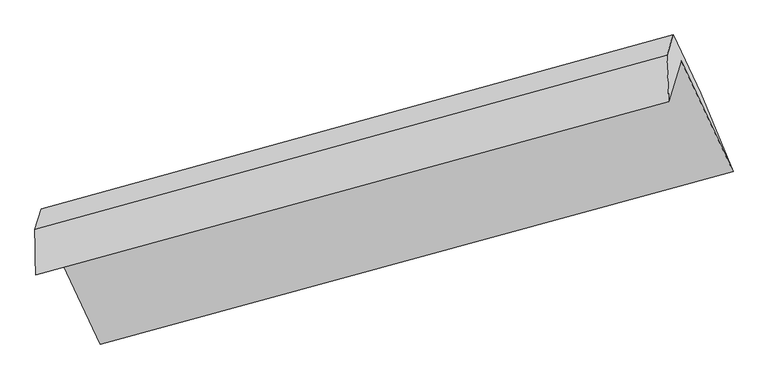
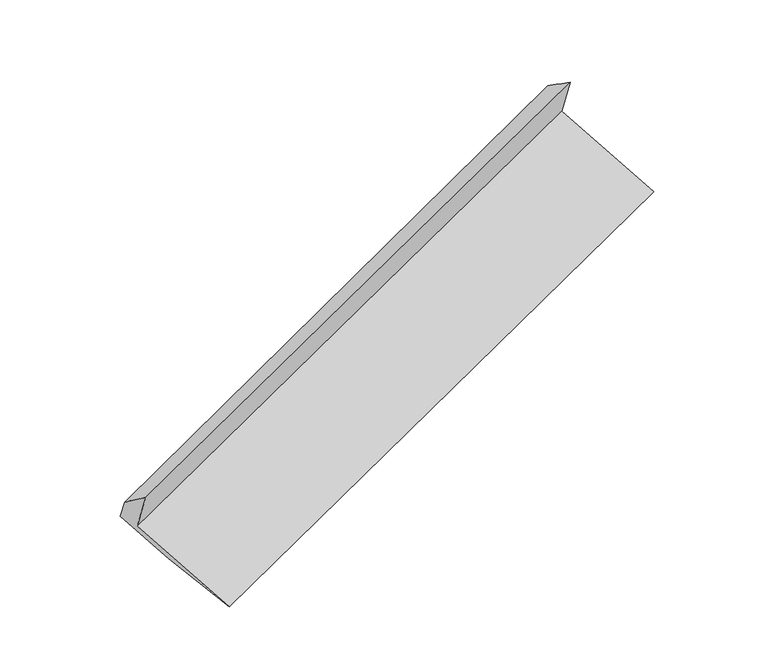
"""IFC4 building model written with IfcOpenShell, lengths in millimetres: proxy geometry."""

import ifcopenshell
import ifcopenshell.guid

model = None  # the IFC model being written
_history = None  # IfcOwnerHistory: only IFC2X3 demands one
_inside = {}  # id of a spatial element -> (the spatial element, [elements in it])
_under = {}  # id of a project, library or spatial element -> (it, [spatial elements below it])
_declared = {}  # id of a project -> (the project, [libraries it declares])
_typed = {}  # id of a type object -> (the type object, [elements of that type])
_made_of = {}  # id of a material, layer set ... -> (it, [elements and type objects made of it])


def new_model(schema):
    """Start an empty IFC model of exactly this schema.

    Asked for "IFC4X3", IfcOpenShell would pick the latest addendum, in which some entities
    have other attributes; the version numbers below select the first issue.
    IFC2X3 requires an IfcOwnerHistory on every rooted entity: one is made here for all.
    """
    global model, _history
    if schema == "IFC4X3":
        model = ifcopenshell.file(schema_version=(4, 3, 0, 0))
    else:
        model = ifcopenshell.file(schema=schema)
    _inside.clear()
    _under.clear()
    _declared.clear()
    _typed.clear()
    _made_of.clear()
    _history = None
    if model.schema == "IFC2X3":
        org = make("IfcOrganization", Name="unknown")
        user = make(
            "IfcPersonAndOrganization",
            ThePerson=make("IfcPerson", FamilyName="unknown"),
            TheOrganization=org,
        )
        app = make(
            "IfcApplication",
            ApplicationDeveloper=org,
            Version="unknown",
            ApplicationFullName="unknown",
            ApplicationIdentifier="unknown",
        )
        _history = make(
            "IfcOwnerHistory",
            OwningUser=user,
            OwningApplication=app,
            ChangeAction="ADDED",
            CreationDate=0,
        )
    return model


def make(cls, **values):
    """One entity of the class cls with the attributes given. An attribute that is None is left unset."""
    return model.create_entity(
        cls, **{name: value for name, value in values.items() if value is not None}
    )


def rooted(cls, **values):
    """An entity with a GlobalId (a new one), such as an element, a storey or a relation."""
    return make(cls, GlobalId=ifcopenshell.guid.new(), OwnerHistory=_history, **values)


def si_unit(unit_type, name, prefix=None):
    """IfcSIUnit, for example si_unit("LENGTHUNIT", "METRE", prefix="MILLI")."""
    return make("IfcSIUnit", UnitType=unit_type, Prefix=prefix, Name=name)


def assignment(units):
    """IfcUnitAssignment: the units of a project."""
    return None if units is None else make("IfcUnitAssignment", Units=units)


def point(xyz):
    """IfcCartesianPoint."""
    return None if xyz is None else make("IfcCartesianPoint", Coordinates=xyz)


def direction(xyz):
    """IfcDirection."""
    return None if xyz is None else make("IfcDirection", DirectionRatios=xyz)


def frame(location, z_axis=None, x_axis=None):
    """IfcAxis2Placement3D, a coordinate frame: its origin and axes. An axis left out is left unset."""
    return make(
        "IfcAxis2Placement3D",
        Location=point(location),
        Axis=direction(z_axis),
        RefDirection=direction(x_axis),
    )


def origin():
    """The frame at (0, 0, 0) with its axes left unset."""
    return frame((0.0, 0.0, 0.0))


def place(relative_to, where):
    """IfcLocalPlacement: puts the frame where relative to a parent placement (None: the world)."""
    return make(
        "IfcLocalPlacement", PlacementRelTo=relative_to, RelativePlacement=where
    )


def context(
    kind, dimensions, precision=None, world=None, true_north=None, identifier=None
):
    """IfcGeometricRepresentationContext, for example the 3D "Model" context."""
    return make(
        "IfcGeometricRepresentationContext",
        ContextIdentifier=identifier,
        ContextType=kind,
        CoordinateSpaceDimension=dimensions,
        Precision=precision,
        WorldCoordinateSystem=world,
        TrueNorth=true_north,
    )


def project(units=None, contexts=None):
    """IfcProject with its units and contexts."""
    return rooted(
        "IfcProject",
        Name="project",
        RepresentationContexts=contexts,
        UnitsInContext=assignment(units),
    )


def spatial(cls, under=None, at=None, **own):
    """A site, building, storey or space (cls), placed at a placement, below another one or the project."""
    s = rooted(cls, ObjectPlacement=at, **own)
    if under is not None:
        _under.setdefault(under.id(), (under, []))[1].append(s)
    return s


def shape(context_of_items, identifier, shape_type, items):
    """IfcShapeRepresentation: the items that make up one representation, for example the "Body"."""
    return make(
        "IfcShapeRepresentation",
        ContextOfItems=context_of_items,
        RepresentationIdentifier=identifier,
        RepresentationType=shape_type,
        Items=items,
    )


def source(mapping_origin, context_of_items, identifier, shape_type, items):
    """IfcRepresentationMap: a shape defined once, which mapped items show again and again."""
    return make(
        "IfcRepresentationMap",
        MappingOrigin=mapping_origin,
        MappedRepresentation=shape(context_of_items, identifier, shape_type, items),
    )


def transform(
    local_origin,
    x_axis=None,
    y_axis=None,
    z_axis=None,
    scale=None,
    scale2=None,
    scale3=None,
    uniform=True,
):
    """IfcCartesianTransformationOperator3D, or its non-uniform kind. x_axis, y_axis, z_axis: its Axis1, 2, 3."""
    if uniform:
        return make(
            "IfcCartesianTransformationOperator3D",
            Axis1=direction(x_axis),
            Axis2=direction(y_axis),
            LocalOrigin=point(local_origin),
            Scale=scale,
            Axis3=direction(z_axis),
        )
    return make(
        "IfcCartesianTransformationOperator3DnonUniform",
        Axis1=direction(x_axis),
        Axis2=direction(y_axis),
        LocalOrigin=point(local_origin),
        Scale=scale,
        Axis3=direction(z_axis),
        Scale2=scale2,
        Scale3=scale3,
    )


def mapped(mapping_source, mapping_target):
    """IfcMappedItem: shows the shape of a source again, moved by a transform."""
    return make(
        "IfcMappedItem", MappingSource=mapping_source, MappingTarget=mapping_target
    )


def made_of(thing, what):
    """Note that an element or type object is made of a material, layer set ...; save() writes the relation."""
    if what is not None:
        _made_of.setdefault(what.id(), (what, []))[1].append(thing)
    return thing


def element(
    cls,
    number,
    at=None,
    inside=None,
    cuts=None,
    type_object=None,
    material=None,
    context=None,
    identifier="Body",
    shape_type=None,
    held_by="IfcProductDefinitionShape",
    body=None,
    shapes=None,
    **own,
):
    """One element of the class cls, such as IfcWall. Its Tag is "e" and its number.

    at: its placement. inside: the storey or other place that contains it. cuts: it is an
    opening in that element (IfcRelVoidsElement). A single representation is given by context,
    identifier, shape_type and body (its items); several are given by shapes. held_by: the class
    of the entity that holds the representations. save() writes the other relations.
    """
    e = rooted(cls, Tag="e%d" % number, ObjectPlacement=at, **own)
    if body is not None:
        shapes = [shape(context, identifier, shape_type, body)]
    if shapes is not None:
        e.Representation = make(held_by, Representations=shapes)
    if inside is not None:
        _inside.setdefault(inside.id(), (inside, []))[1].append(e)
    if cuts is not None:
        rooted(
            "IfcRelVoidsElement", RelatingBuildingElement=cuts, RelatedOpeningElement=e
        )
    if type_object is not None:
        _typed.setdefault(type_object.id(), (type_object, []))[1].append(e)
    return made_of(e, material)


def aggregate(whole, parts):
    """IfcRelAggregates: a whole, such as a stair, and the parts it consists of."""
    return rooted("IfcRelAggregates", RelatingObject=whole, RelatedObjects=parts)


def save(model, path):
    """Write the relations noted so far, then the file.

    IfcRelAggregates (storeys below a building ...), IfcRelContainedInSpatialStructure (elements
    in a storey), IfcRelDefinesByType, IfcRelAssociatesMaterial and IfcRelDeclares: one each for
    every whole, place, type object, material and project.
    """
    for whole, parts in _under.values():
        aggregate(whole, parts)
    for where, things in _inside.values():
        rooted(
            "IfcRelContainedInSpatialStructure",
            RelatedElements=things,
            RelatingStructure=where,
        )
    for kind, things in _typed.values():
        rooted("IfcRelDefinesByType", RelatedObjects=things, RelatingType=kind)
    for what, things in _made_of.values():
        rooted("IfcRelAssociatesMaterial", RelatedObjects=things, RelatingMaterial=what)
    for by, libraries in _declared.values():
        rooted("IfcRelDeclares", RelatingContext=by, RelatedDefinitions=libraries)
    model.write(path)


def plane_surface(at):
    """IfcPlane: the flat surface through the origin of the frame at, square to its z axis."""
    return make("IfcPlane", Position=at)


def spline_surface(u_degree, v_degree, points, u_multiplicities, v_multiplicities, u_knots, v_knots, weights=None):
    """IfcBSplineSurfaceWithKnots; with weights, IfcRationalBSplineSurfaceWithKnots. points: one row for each step in u."""
    own = dict(
        UDegree=u_degree,
        VDegree=v_degree,
        ControlPointsList=[[point(p) for p in row] for row in points],
        SurfaceForm="UNSPECIFIED",
        UClosed=False,
        VClosed=False,
        SelfIntersect=False,
        UMultiplicities=u_multiplicities,
        VMultiplicities=v_multiplicities,
        UKnots=u_knots,
        VKnots=v_knots,
        KnotSpec="UNSPECIFIED",
    )
    if weights is None:
        return make("IfcBSplineSurfaceWithKnots", **own)
    return make("IfcRationalBSplineSurfaceWithKnots", WeightsData=weights, **own)


def advanced_brep(points, edges, surfaces, faces):
    """IfcAdvancedBrep: a solid bounded by faces that lie on surfaces and meet in shared edges.

    An edge is (start, end): straight between two places in points (the first is 0);
    or (start, end, curve); or (start, end, curve, False) where it runs against its curve.
    A face is (place in surfaces, loops), or (place, loops, False) where it looks against
    its surface's normal. A loop lists edges by number (the first is 1), with a minus sign
    where the edge is run from its end to its start. The first loop is the outer one.
    """
    corners = [point(p) for p in points]
    vertices = [make("IfcVertexPoint", VertexGeometry=c) for c in corners]
    made = []
    for start, end, *more in edges:
        made.append(
            make(
                "IfcEdgeCurve",
                EdgeStart=vertices[start],
                EdgeEnd=vertices[end],
                EdgeGeometry=more[0] if more else make("IfcPolyline", Points=[corners[start], corners[end]]),
                SameSense=more[1] if len(more) > 1 else True,
            )
        )
    hull = []
    for where, loops, *sense in faces:
        bounds = []
        for j, loop in enumerate(loops):
            ring = [make("IfcOrientedEdge", EdgeElement=made[abs(k) - 1], Orientation=k > 0) for k in loop]
            bounds.append(
                make(
                    "IfcFaceOuterBound" if j == 0 else "IfcFaceBound",
                    Bound=make("IfcEdgeLoop", EdgeList=ring),
                    Orientation=True,
                )
            )
        hull.append(make("IfcAdvancedFace", Bounds=bounds, FaceSurface=surfaces[where], SameSense=sense[0] if sense else True))
    return make("IfcAdvancedBrep", Outer=make("IfcClosedShell", CfsFaces=hull))


def generic_models_0a0c2a91(model_context):
    return source(origin(), model_context, "Body", "AdvancedBrep", [
        advanced_brep(
        [(-6145.9653223, -2504.919348, 1463.1055103), (-6021.3759103, -2098.7813115, 797.5517533), (176.9019066, -406.585052, 3002.333581), (53.8904199, -807.579349, 3659.4580975), (-6152.9346821, -2060.6105025, 1134.7879387), (37.6836653, -352.0405875, 3348.1275658), (-6091.3905147, -1859.9880989, 806.0204202), (99.2278327, -151.4181839, 3019.3600473), (-5824.5247138, -2430.4673944, 507.8556429), (366.0936337, -721.8974793, 2721.19527), (-5514.057647, -3183.2760814, 230.7333884), (684.2201698, -1491.0798219, 2435.5152161)],
        [
            (0, 1),
            (1, 2),
            (2, 3),
            (3, 0),
            (4, 0),
            (3, 5),
            (5, 4),
            (6, 4),
            (5, 7),
            (7, 6),
            (8, 6),
            (7, 9),
            (9, 8),
            (10, 8),
            (9, 11),
            (11, 10),
            (1, 10),
            (11, 2),
        ],
        [
            plane_surface(frame((-6083.6706163, -2301.8503297, 1130.3286318), z_axis=(0.3769354797805582, -0.8203560713618178, -0.4300413471544389), x_axis=(0.15779253068372714, 0.5143739547465318, -0.8429240487367993))),
            spline_surface(1, 1, [[(-6152.9346821, -2060.6105025, 1134.7879387), (37.6836653, -352.0405875, 3348.1275658)], [(-6145.9653223, -2504.919348, 1463.1055103), (53.8904199, -807.579349, 3659.4580975)]], [2, 2], [2, 2], [0.0, 1.0], [0.0, 1.0]),
            plane_surface(frame((-6122.1625984, -1960.2993007, 970.4041795), z_axis=(-0.37962105539481117, 0.8196168360135221, 0.4290875160431881), x_axis=(-0.15779253068372653, -0.5143739547465317, 0.8429240487367995))),
            plane_surface(frame((-5957.9576142, -2145.2277466, 656.9380316), z_axis=(0.15913229596923234, 0.5147492397862303, -0.8424429550533726), x_axis=(-0.38297347076203264, 0.8186827799193471, 0.42788997015122066))),
            spline_surface(1, 1, [[(-5514.057647, -3183.2760814, 230.7333884), (684.2201698, -1491.0798219, 2435.5152161)], [(-5824.5247138, -2430.4673944, 507.8556429), (366.0936337, -721.8974793, 2721.19527)]], [2, 2], [2, 2], [0.0, 1.0], [0.0, 1.0]),
            plane_surface(frame((-5767.7167787, -2641.0286964, 514.1425709), z_axis=(-0.15913229596923495, -0.5147492397862238, 0.8424429550533761), x_axis=(0.38297347076202753, -0.8186827799193522, -0.4278899701512154))),
            plane_surface(frame((236.3362713, -655.1000789, 3030.9982963), z_axis=(0.910182859623773, 0.2552997072891715, 0.3261736063895341), x_axis=(-0.38297347076203264, 0.8186827799193471, 0.42788997015122066))),
            plane_surface(frame((-5958.3747984, -2356.3404561, 823.3424423), z_axis=(-0.9101828596237659, -0.25529970728918655, -0.3261736063895422), x_axis=(-0.15779253068372653, -0.5143739547465322, 0.8429240487367992))),
        ],
        [
            (0, [[1, 2, 3, 4]]),
            (1, [[5, -4, 6, 7]]),
            (2, [[8, -7, 9, 10]]),
            (3, [[11, -10, 12, 13]]),
            (4, [[14, -13, 15, 16]]),
            (5, [[17, -16, 18, -2]]),
            (6, [[-12, -9, -6, -3, -18, -15]]),
            (7, [[-1, -5, -8, -11, -14, -17]]),
        ],
    ),
    ])


if __name__ == "__main__":
    model = new_model("IFC4")
    model_context = context("Model", 3, world=origin())
    ifc_project = project(units=[si_unit("LENGTHUNIT", "METRE", prefix="MILLI")], contexts=[model_context])
    site = spatial("IfcSite", under=ifc_project)
    building = spatial("IfcBuilding", under=site)
    placement = place(None, origin())
    generic_models_shape = generic_models_0a0c2a91(model_context)
    element("IfcBuildingElementProxy", 1, Name="Generic Models", at=placement, inside=building, context=model_context, shape_type="MappedRepresentation", body=[
        mapped(generic_models_shape, transform((0.0, 0.0, 0.0), x_axis=(1.0, 0.0, 0.0), y_axis=(0.0, 1.0, 0.0), z_axis=(0.0, 0.0, 1.0))),
    ])
    save(model, "model.ifc")
